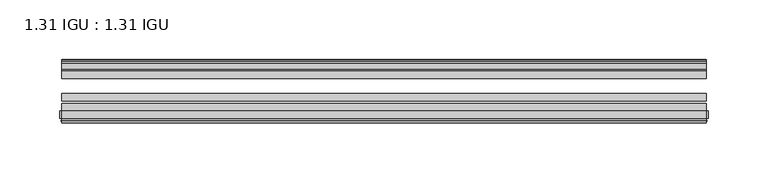
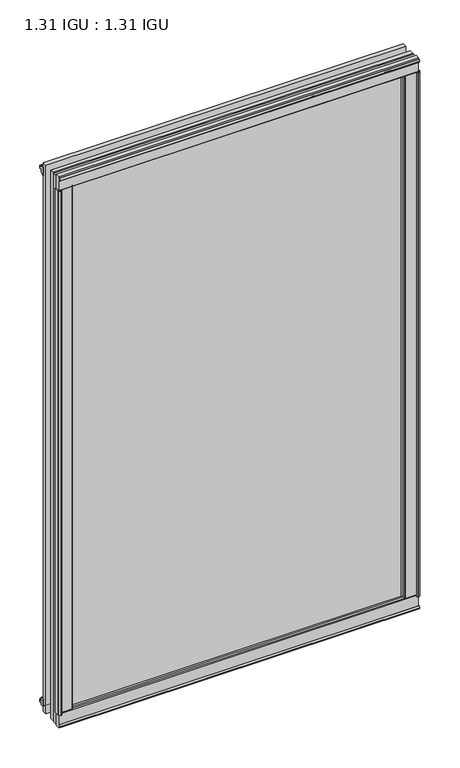
"""IFC4 building model written with IfcOpenShell, lengths in millimetres: plate geometry, 1.31 IGU : 1.31 IGU."""

from ifc_helpers import new_model, si_unit, point, frame, frame_2d, origin, origin_with_axes, place, context, project, spatial, polyline, circle_curve, trimmed, segment, composite_curve, outline, extrude, source, transform, mapped, element, save


def plate_1_31_igu_1_31_igu_c0185604(model_context):
    return source(origin(), model_context, "Body", "SweptSolid", [
        extrude(outline(polyline([(257.1656485, -11.1943457), (255.7636151, -11.5700195), (255.533525, -10.7113114), (257.946525, -10.06475), (260.359525, -10.7113114), (260.1294349, -11.5700195), (258.7274015, -11.1943457), (259.343525, -13.49375), (263.0220991, -13.49375), (263.0220991, -18.1284104), (261.5934544, -19.84375), (249.8807838, -19.84375), (251.596525, -13.49375), (256.549525, -13.49375), (257.1656485, -11.1943457)])), origin_with_axes(), (0.0, 0.0, 1.0), 831.85),
        extrude(outline(polyline([(-257.1656485, -11.1943457), (-256.549525, -13.49375), (-251.596525, -13.49375), (-249.8807838, -19.84375), (-261.5934544, -19.84375), (-263.0220991, -18.1284104), (-263.0220991, -13.49375), (-259.343525, -13.49375), (-258.7274015, -11.1943457), (-260.1294349, -11.5700195), (-260.359525, -10.7113114), (-257.946525, -10.06475), (-255.533525, -10.7113114), (-255.7636151, -11.5700195), (-257.1656485, -11.1943457)])), origin_with_axes(), (0.0, 0.0, 1.0), 831.85),
        extrude(outline(polyline([(-13.49375, -5.7276998), (-11.1943457, -6.3438233), (-11.5700195, -4.9417899), (-10.7113114, -4.7116998), (-10.06475, -7.1246998), (-10.7113114, -9.5376998), (-11.5700195, -9.3076097), (-11.1943457, -7.9055763), (-13.49375, -8.5216998), (-13.49375, -12.2002739), (-18.1284104, -12.2002739), (-19.84375, -10.7716292), (-19.84375, 0.9410414), (-13.49375, -0.7746998), (-13.49375, -5.7276998)])), frame((-269.859125, 0.0, 0.0), z_axis=(1.0, 0.0, 0.0), x_axis=(0.0, 1.0, 0.0)), (0.0, 0.0, 1.0), 539.71825),
        extrude(outline(composite_curve([segment(polyline([(-55.9719113, 2.457708), (-53.16855, 3.0868452), (-53.16855, -20.9097918), (-59.51855, -20.9097918), (-59.51855, -18.6868471), (-62.0391488, -18.0752025), (-61.5965021, -19.0933159), (-61.5965021, -19.98942), (-63.2729251, -17.4063265), (-61.3290281, -15.2058028), (-61.3290281, -16.0360741), (-61.9417436, -16.9618553), (-59.51855, -16.8077164), (-59.51855, 0.6826418)]), True, "CONTINUOUS"), segment(trimmed(circle_curve(frame_2d((-58.24855, 0.6826418)), 1.27), [point((-59.51855, 0.6826418))], [point((-58.6007815, 1.9028193))], False, "CARTESIAN"), True, "CONTINUOUS"), segment(polyline([(-58.6007815, 1.9028193), (-55.9719113, 2.457708)]), True, "CONTINUOUS")], self_intersect=False)), frame((-269.859125, 0.0, 0.0), z_axis=(1.0, 0.0, 0.0), x_axis=(0.0, 1.0, 0.0)), (0.0, 0.0, 1.0), 539.71825),
        extrude(outline(polyline([(-13.49375, 837.5776998), (-13.49375, 832.6246998), (-19.84375, 830.9089586), (-19.84375, 842.6216292), (-18.1284104, 844.0502739), (-13.49375, 844.0502739), (-13.49375, 840.3716998), (-11.1943457, 839.7555763), (-11.5700195, 841.1576097), (-10.7113114, 841.3876998), (-10.06475, 838.9746998), (-10.7113114, 836.5616998), (-11.5700195, 836.7917899), (-11.1943457, 838.1938233), (-13.49375, 837.5776998)])), frame((-269.859125, 0.0, 0.0), z_axis=(1.0, 0.0, 0.0), x_axis=(0.0, 1.0, 0.0)), (0.0, 0.0, 1.0), 539.71825),
        extrude(outline(composite_curve([segment(polyline([(-55.9719113, 829.392292), (-58.6007815, 829.9471807)]), True, "CONTINUOUS"), segment(trimmed(circle_curve(frame_2d((-58.24855, 831.1673582)), 1.27), [point((-58.6007815, 829.9471807))], [point((-59.51855, 831.1673582))], False, "CARTESIAN"), True, "CONTINUOUS"), segment(polyline([(-59.51855, 831.1673582), (-59.51855, 848.6577164), (-61.9417436, 848.8118553), (-61.3290281, 847.8860741), (-61.3290281, 847.0558028), (-63.2729251, 849.2563265), (-61.5965021, 851.83942), (-61.5965021, 850.9433159), (-62.0391488, 849.9252025), (-59.51855, 850.5368471), (-59.51855, 852.7597918), (-53.16855, 852.7597918), (-53.16855, 828.7631548), (-55.9719113, 829.392292)]), True, "CONTINUOUS")], self_intersect=False)), frame((-269.859125, 0.0, 0.0), z_axis=(1.0, 0.0, 0.0), x_axis=(0.0, 1.0, 0.0)), (0.0, 0.0, 1.0), 539.71825),
        extrude(outline(composite_curve([segment(polyline([(-268.2281517, -63.2729251), (-270.8112452, -61.5965021), (-269.9151411, -61.5965021), (-268.8970277, -62.0391488), (-269.5086723, -59.51855), (-271.731617, -59.51855), (-271.731617, -53.16855), (-247.73498, -53.16855), (-248.3641172, -55.9719113), (-248.9190059, -58.6007815)]), True, "CONTINUOUS"), segment(trimmed(circle_curve(frame_2d((-250.1391834, -58.24855)), 1.27), [point((-248.9190059, -58.6007815))], [point((-250.1391834, -59.51855))], False, "CARTESIAN"), True, "CONTINUOUS"), segment(polyline([(-250.1391834, -59.51855), (-267.6295416, -59.51855), (-267.7836805, -61.9417436), (-266.8578993, -61.3290281), (-266.0463713, -61.3290281), (-268.2281517, -63.2729251)]), True, "CONTINUOUS")], self_intersect=False)), origin_with_axes(), (0.0, 0.0, 1.0), 831.85),
        extrude(outline(composite_curve([segment(polyline([(268.2281517, -63.2729251), (266.0463713, -61.3290281), (266.8578993, -61.3290281), (267.7836805, -61.9417436), (267.6295416, -59.51855), (250.1391834, -59.51855)]), True, "CONTINUOUS"), segment(trimmed(circle_curve(frame_2d((250.1391834, -58.24855)), 1.27), [point((250.1391834, -59.51855))], [point((248.9190059, -58.6007815))], False, "CARTESIAN"), True, "CONTINUOUS"), segment(polyline([(248.9190059, -58.6007815), (248.3641172, -55.9719113), (247.73498, -53.16855), (271.731617, -53.16855), (271.731617, -59.51855), (269.5086723, -59.51855), (268.8970277, -62.0391488), (269.9151411, -61.5965021), (270.8112452, -61.5965021), (268.2281517, -63.2729251)]), True, "CONTINUOUS")], self_intersect=False)), origin_with_axes(), (0.0, 0.0, 1.0), 831.85),
        extrude(outline(polyline([(269.859125, -19.84375), (269.859125, -26.14295), (-269.859125, -26.14295), (-269.859125, -19.84375), (269.859125, -19.84375)])), frame((0.0, 0.0, -19.05), z_axis=(0.0, 0.0, 1.0), x_axis=(1.0, 0.0, 0.0)), (0.0, 0.0, 1.0), 869.95),
        extrude(outline(polyline([(-269.859125, -44.83735), (-269.859125, -38.53815), (269.859125, -38.53815), (269.859125, -44.83735), (-269.859125, -44.83735)])), frame((0.0, 0.0, -19.05), z_axis=(0.0, 0.0, 1.0), x_axis=(1.0, 0.0, 0.0)), (0.0, 0.0, 1.0), 869.95),
        extrude(outline(polyline([(-269.859125, -53.16855), (-269.859125, -46.86935), (269.859125, -46.86935), (269.859125, -53.16855), (-269.859125, -53.16855)])), frame((0.0, 0.0, -19.05), z_axis=(0.0, 0.0, 1.0), x_axis=(1.0, 0.0, 0.0)), (0.0, 0.0, 1.0), 869.95),
    ])


if __name__ == "__main__":
    model = new_model("IFC4")
    model_context = context("Model", 3, world=origin())
    ifc_project = project(units=[si_unit("LENGTHUNIT", "METRE", prefix="MILLI")], contexts=[model_context])
    site = spatial("IfcSite", under=ifc_project)
    building = spatial("IfcBuilding", under=site)
    placement = place(None, origin())
    plate_1_31_igu_1_31_igu_shape = plate_1_31_igu_1_31_igu_c0185604(model_context)
    element("IfcPlate", 1, ObjectType="1.31 IGU : 1.31 IGU", at=placement, inside=building, context=model_context, shape_type="MappedRepresentation", body=[
        mapped(plate_1_31_igu_1_31_igu_shape, transform((0.0, 0.0, 0.0), x_axis=(1.0, 0.0, 0.0), y_axis=(0.0, 1.0, 0.0), z_axis=(0.0, 0.0, 1.0))),
    ])
    save(model, "model.ifc")
